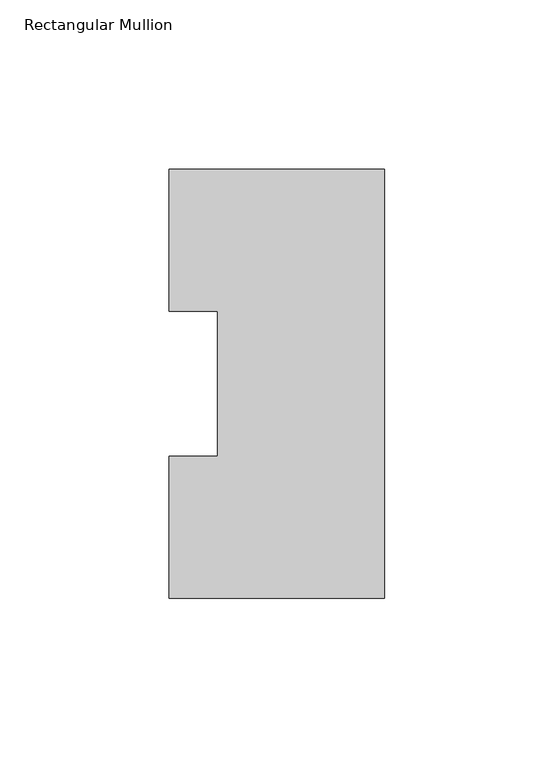
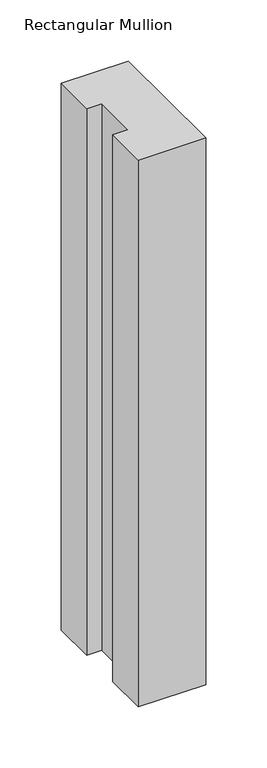
"""IFC4 building model written with IfcOpenShell, lengths in millimetres: member geometry, Rectangular Mullion."""

from ifc_helpers import new_model, si_unit, frame, origin, place, context, project, spatial, polyline, outline, extrude, source, transform, mapped, element, save


def rectangular_mullion_9bf88be9(model_context):
    return source(origin(), model_context, "Body", "SweptSolid", [
        extrude(outline(polyline([(0.0, 126.4546676), (0.0, -0.0373324), (-63.5, -0.0373324), (-63.5, 41.7837676), (-49.2252, 41.7837676), (-49.2252, 84.6335937), (-63.5, 84.6335937), (-63.5, 126.4546676), (0.0, 126.4546676)])), frame((0.0, 0.0, -546.1), z_axis=(0.0, 0.0, 1.0), x_axis=(1.0, 0.0, 0.0)), (0.0, 0.0, 1.0), 546.1),
    ])


if __name__ == "__main__":
    model = new_model("IFC4")
    model_context = context("Model", 3, world=origin())
    ifc_project = project(units=[si_unit("LENGTHUNIT", "METRE", prefix="MILLI")], contexts=[model_context])
    site = spatial("IfcSite", under=ifc_project)
    building = spatial("IfcBuilding", under=site)
    placement = place(None, origin())
    rectangular_mullion_shape = rectangular_mullion_9bf88be9(model_context)
    element("IfcMember", 1, ObjectType="Rectangular Mullion", at=placement, inside=building, context=model_context, shape_type="MappedRepresentation", body=[
        mapped(rectangular_mullion_shape, transform((0.0, 0.0, 0.0), x_axis=(1.0, 0.0, 0.0), y_axis=(0.0, 1.0, 0.0), z_axis=(0.0, 0.0, 1.0))),
    ])
    save(model, "model.ifc")
